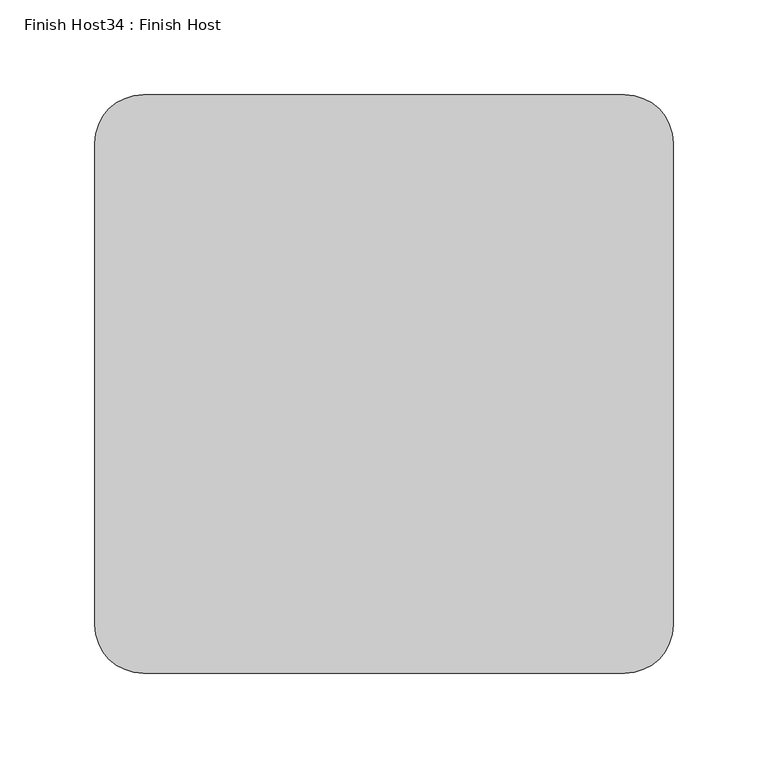
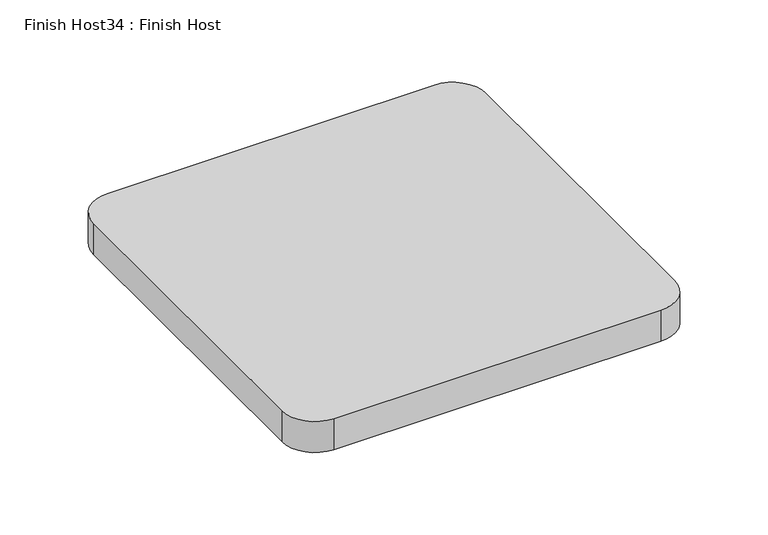
"""IFC4 building model written with IfcOpenShell, lengths in millimetres: proxy geometry, Finish Host34 : Finish Host."""

from ifc_helpers import new_model, si_unit, point, frame_2d, origin, origin_with_axes, place, context, project, spatial, polyline, circle_curve, trimmed, segment, composite_curve, outline, extrude, source, transform, mapped, element, save


def finish_host34_finish_host_895b87cc(model_context):
    return source(origin(), model_context, "Body", "SweptSolid", [
        extrude(outline(composite_curve([segment(polyline([(2308.6934426, 3188.0122951), (2308.6934426, 3442.0122951)]), True, "CONTINUOUS"), segment(trimmed(circle_curve(frame_2d((2334.0934426, 3442.0122951)), 25.4), [point((2308.6934426, 3442.0122951))], [point((2334.0934426, 3467.4122951))], False, "CARTESIAN"), True, "CONTINUOUS"), segment(polyline([(2334.0934426, 3467.4122951), (2588.0934426, 3467.4122951)]), True, "CONTINUOUS"), segment(trimmed(circle_curve(frame_2d((2588.0934426, 3442.0122951)), 25.4), [point((2588.0934426, 3467.4122951))], [point((2613.4934426, 3442.0122951))], False, "CARTESIAN"), True, "CONTINUOUS"), segment(polyline([(2613.4934426, 3442.0122951), (2613.4934426, 3188.0122951)]), True, "CONTINUOUS"), segment(trimmed(circle_curve(frame_2d((2588.0934426, 3188.0122951)), 25.4), [point((2613.4934426, 3188.0122951))], [point((2588.0934426, 3162.6122951))], False, "CARTESIAN"), True, "CONTINUOUS"), segment(polyline([(2588.0934426, 3162.6122951), (2334.0934426, 3162.6122951)]), True, "CONTINUOUS"), segment(trimmed(circle_curve(frame_2d((2334.0934426, 3188.0122951)), 25.4), [point((2334.0934426, 3162.6122951))], [point((2308.6934426, 3188.0122951))], False, "CARTESIAN"), True, "CONTINUOUS")], self_intersect=False)), origin_with_axes(), (0.0, 0.0, 1.0), 25.4),
    ])


if __name__ == "__main__":
    model = new_model("IFC4")
    model_context = context("Model", 3, world=origin())
    ifc_project = project(units=[si_unit("LENGTHUNIT", "METRE", prefix="MILLI")], contexts=[model_context])
    site = spatial("IfcSite", under=ifc_project)
    building = spatial("IfcBuilding", under=site)
    placement = place(None, origin())
    finish_host34_finish_host_shape = finish_host34_finish_host_895b87cc(model_context)
    element("IfcBuildingElementProxy", 1, Name="Finish Host34 : Finish Host", ObjectType="Finish Host34 : Finish Host", at=placement, inside=building, context=model_context, shape_type="MappedRepresentation", body=[
        mapped(finish_host34_finish_host_shape, transform((0.0, 0.0, 0.0), x_axis=(1.0, 0.0, 0.0), y_axis=(0.0, 1.0, 0.0), z_axis=(0.0, 0.0, 1.0))),
    ])
    save(model, "model.ifc")
